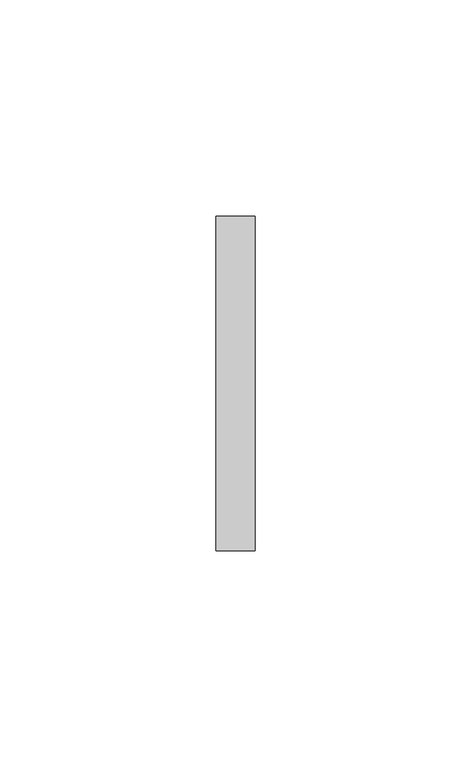
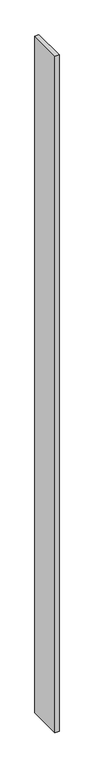
"""IFC4 building model written with IfcOpenShell, lengths in millimetres: furniture geometry."""

from ifc_helpers import new_model, si_unit, frame, origin, place, context, project, spatial, polyline, outline, extrude, source, transform, mapped, element, save


def furniture_8b87deba(model_context):
    return source(origin(), model_context, "Body", "SweptSolid", [
        extrude(outline(polyline([(5.5434607, 38.6537944), (5.5434607, -38.8360494), (-3.5846643, -38.8360494), (-3.5846643, 38.6537944), (5.5434607, 38.6537944)])), frame((0.0, 0.0, 14.2875), z_axis=(0.0, 0.0, 1.0), x_axis=(1.0, 0.0, 0.0)), (0.0, 0.0, 1.0), 1600.2635),
    ])


if __name__ == "__main__":
    model = new_model("IFC4")
    model_context = context("Model", 3, world=origin())
    ifc_project = project(units=[si_unit("LENGTHUNIT", "METRE", prefix="MILLI")], contexts=[model_context])
    site = spatial("IfcSite", under=ifc_project)
    building = spatial("IfcBuilding", under=site)
    placement = place(None, origin())
    furniture_shape = furniture_8b87deba(model_context)
    element("IfcFurniture", 1, at=placement, inside=building, context=model_context, shape_type="MappedRepresentation", body=[
        mapped(furniture_shape, transform((0.0, 0.0, 0.0), x_axis=(1.0, 0.0, 0.0), y_axis=(0.0, 1.0, 0.0), z_axis=(0.0, 0.0, 1.0))),
    ])
    save(model, "model.ifc")
